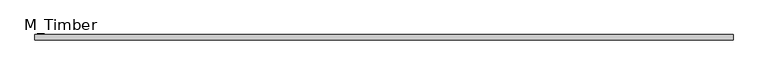
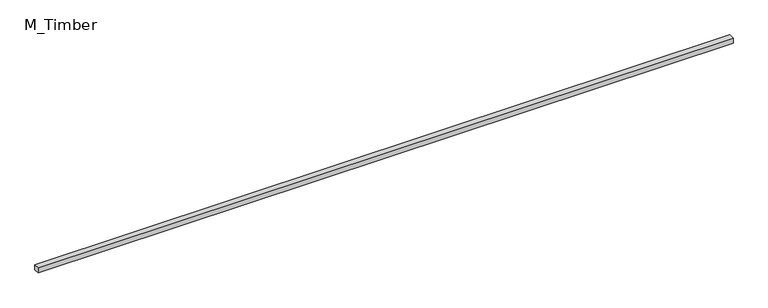
"""IFC4 building model written with IfcOpenShell, lengths in millimetres: beam geometry, M_Timber."""

from ifc_helpers import new_model, si_unit, frame, origin, place, context, project, spatial, polyline, outline, extrude, source, transform, mapped, element, save


def m_timber_bd650a35(model_context):
    return source(origin(), model_context, "Body", "SweptSolid", [
        extrude(outline(polyline([(2523.5069091, 20.0), (2523.5069091, -20.0), (-2523.5069091, -20.0), (-2523.5069091, 20.0), (2523.5069091, 20.0)])), frame((0.0, 0.0, -20.0), z_axis=(0.0, 0.0, 1.0), x_axis=(1.0, 0.0, 0.0)), (0.0, 0.0, 1.0), 40.0),
    ])


if __name__ == "__main__":
    model = new_model("IFC4")
    model_context = context("Model", 3, world=origin())
    ifc_project = project(units=[si_unit("LENGTHUNIT", "METRE", prefix="MILLI")], contexts=[model_context])
    site = spatial("IfcSite", under=ifc_project)
    building = spatial("IfcBuilding", under=site)
    placement = place(None, origin())
    m_timber_shape = m_timber_bd650a35(model_context)
    element("IfcBeam", 1, ObjectType="M_Timber", at=placement, inside=building, context=model_context, shape_type="MappedRepresentation", body=[
        mapped(m_timber_shape, transform((0.0, 0.0, 0.0), x_axis=(1.0, 0.0, 0.0), y_axis=(0.0, 1.0, 0.0), z_axis=(0.0, 0.0, 1.0))),
    ])
    save(model, "model.ifc")
